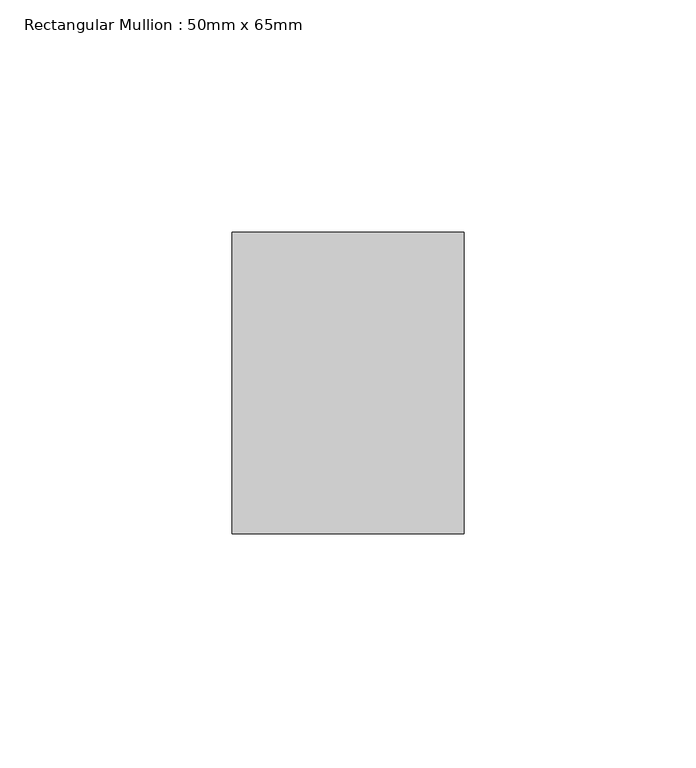
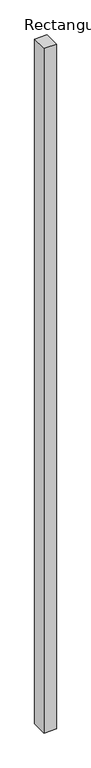
"""IFC4 building model written with IfcOpenShell, lengths in millimetres: member geometry, Rectangular Mullion : 50mm x 65mm."""

from ifc_helpers import new_model, si_unit, frame, origin, place, context, project, spatial, polyline, outline, extrude, source, transform, mapped, element, save


def rectangular_mullion_50mm_x_65mm_232d63d1(model_context):
    return source(origin(), model_context, "Body", "SweptSolid", [
        extrude(outline(polyline([(25.0, 32.5), (25.0, -32.5), (-25.0, -32.5), (-25.0, 32.5), (25.0, 32.5)])), frame((0.0, 0.0, -2924.9797318), z_axis=(0.0, 0.0, 1.0), x_axis=(1.0, 0.0, 0.0)), (0.0, 0.0, 1.0), 2924.9797318),
    ])


if __name__ == "__main__":
    model = new_model("IFC4")
    model_context = context("Model", 3, world=origin())
    ifc_project = project(units=[si_unit("LENGTHUNIT", "METRE", prefix="MILLI")], contexts=[model_context])
    site = spatial("IfcSite", under=ifc_project)
    building = spatial("IfcBuilding", under=site)
    placement = place(None, origin())
    rectangular_mullion_50mm_x_65mm_shape = rectangular_mullion_50mm_x_65mm_232d63d1(model_context)
    element("IfcMember", 1, ObjectType="Rectangular Mullion : 50mm x 65mm", at=placement, inside=building, context=model_context, shape_type="MappedRepresentation", body=[
        mapped(rectangular_mullion_50mm_x_65mm_shape, transform((0.0, 0.0, 0.0), x_axis=(1.0, 0.0, 0.0), y_axis=(0.0, 1.0, 0.0), z_axis=(0.0, 0.0, 1.0))),
    ])
    save(model, "model.ifc")
